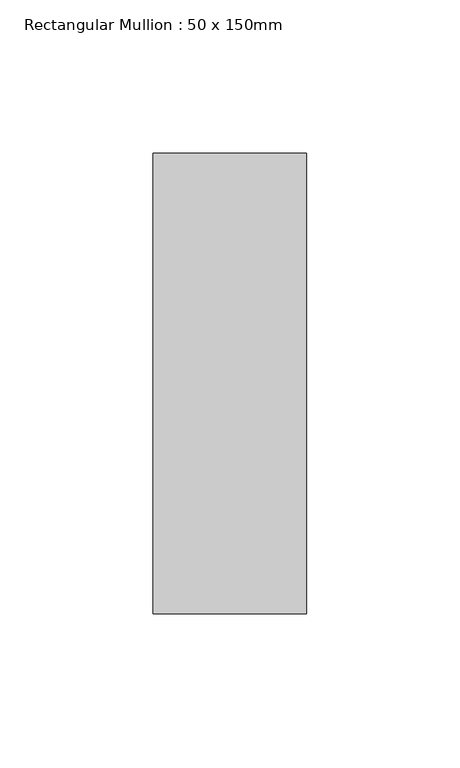
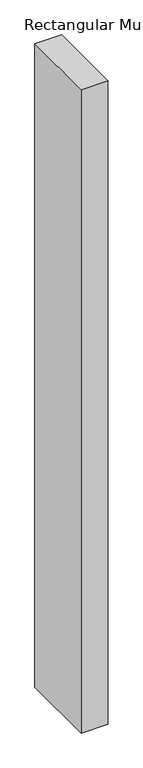
"""IFC4 building model written with IfcOpenShell, lengths in millimetres: member geometry, Rectangular Mullion : 50 x 150mm."""

from ifc_helpers import new_model, si_unit, frame, origin, place, context, project, spatial, polyline, outline, extrude, source, transform, mapped, element, save


def rectangular_mullion_50_x_150mm_856b1cb2(model_context):
    return source(origin(), model_context, "Body", "SweptSolid", [
        extrude(outline(polyline([(25.0, 75.0), (25.0, -75.0), (-25.0, -75.0), (-25.0, 75.0), (25.0, 75.0)])), frame((0.0, 0.0, -1275.0), z_axis=(0.0, 0.0, 1.0), x_axis=(1.0, 0.0, 0.0)), (0.0, 0.0, 1.0), 1275.0),
    ])


if __name__ == "__main__":
    model = new_model("IFC4")
    model_context = context("Model", 3, world=origin())
    ifc_project = project(units=[si_unit("LENGTHUNIT", "METRE", prefix="MILLI")], contexts=[model_context])
    site = spatial("IfcSite", under=ifc_project)
    building = spatial("IfcBuilding", under=site)
    placement = place(None, origin())
    rectangular_mullion_50_x_150mm_shape = rectangular_mullion_50_x_150mm_856b1cb2(model_context)
    element("IfcMember", 1, ObjectType="Rectangular Mullion : 50 x 150mm", at=placement, inside=building, context=model_context, shape_type="MappedRepresentation", body=[
        mapped(rectangular_mullion_50_x_150mm_shape, transform((0.0, 0.0, 0.0), x_axis=(1.0, 0.0, 0.0), y_axis=(0.0, 1.0, 0.0), z_axis=(0.0, 0.0, 1.0))),
    ])
    save(model, "model.ifc")
